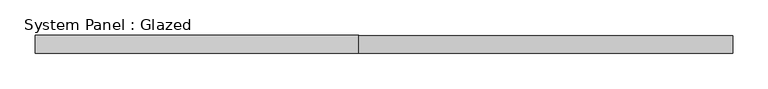
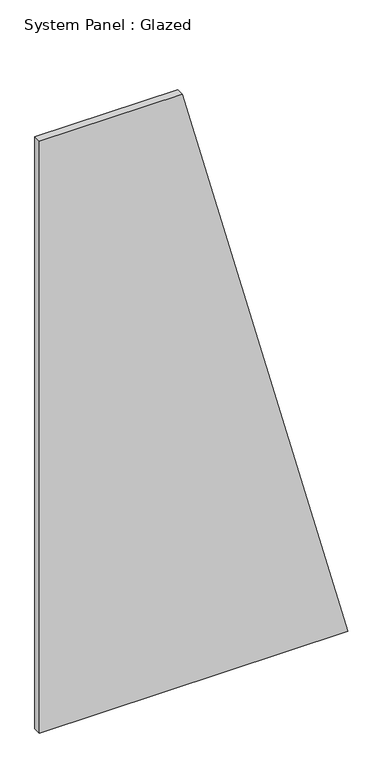
"""IFC4 building model written with IfcOpenShell, lengths in millimetres: plate geometry, System Panel : Glazed."""

from ifc_helpers import new_model, si_unit, frame, origin, place, context, project, spatial, polyline, outline, extrude, source, transform, mapped, element, save


def system_panel_glazed_d5e23a5f(model_context):
    return source(origin(), model_context, "Body", "SweptSolid", [
        extrude(outline(polyline([(0.0, -492.8571427), (0.0, 492.8571427), (2000.0, -35.7142859), (2000.0, -492.8571427), (0.0, -492.8571427)])), frame((0.0, 24.5, 0.0), z_axis=(0.0, 1.0, 0.0), x_axis=(0.0, 0.0, 1.0)), (0.0, 0.0, 1.0), 25.0),
    ])


if __name__ == "__main__":
    model = new_model("IFC4")
    model_context = context("Model", 3, world=origin())
    ifc_project = project(units=[si_unit("LENGTHUNIT", "METRE", prefix="MILLI")], contexts=[model_context])
    site = spatial("IfcSite", under=ifc_project)
    building = spatial("IfcBuilding", under=site)
    placement = place(None, origin())
    system_panel_glazed_shape = system_panel_glazed_d5e23a5f(model_context)
    element("IfcPlate", 1, ObjectType="System Panel : Glazed", at=placement, inside=building, context=model_context, shape_type="MappedRepresentation", body=[
        mapped(system_panel_glazed_shape, transform((0.0, 0.0, 0.0), x_axis=(1.0, 0.0, 0.0), y_axis=(0.0, 1.0, 0.0), z_axis=(0.0, 0.0, 1.0))),
    ])
    save(model, "model.ifc")
